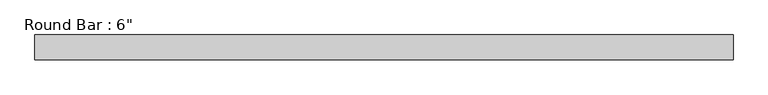
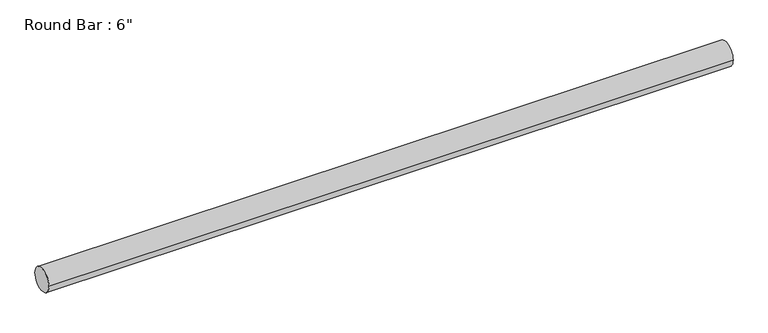
"""IFC4 building model written with IfcOpenShell, lengths in millimetres: beam geometry."""

from ifc_helpers import new_model, si_unit, point, frame, origin, origin_2d, place, context, project, spatial, circle_curve, trimmed, segment, composite_curve, outline, extrude, source, transform, mapped, element, save


def beam_d83805fe(model_context):
    return source(origin(), model_context, "Body", "SweptSolid", [
        extrude(outline(composite_curve([segment(trimmed(circle_curve(origin_2d(), 76.2), [point((-76.2, 0.0))], [point((76.2, 0.0))], False, "CARTESIAN"), True, "CONTINUOUS"), segment(trimmed(circle_curve(origin_2d(), 76.2), [point((76.2, 0.0))], [point((-76.2, 0.0))], False, "CARTESIAN"), True, "CONTINUOUS")], self_intersect=False)), frame((-2168.9702739, 0.0, 0.0), z_axis=(1.0, 0.0, 0.0), x_axis=(0.0, 1.0, 0.0)), (0.0, 0.0, 1.0), 4309.9895329),
    ])


if __name__ == "__main__":
    model = new_model("IFC4")
    model_context = context("Model", 3, world=origin())
    ifc_project = project(units=[si_unit("LENGTHUNIT", "METRE", prefix="MILLI")], contexts=[model_context])
    site = spatial("IfcSite", under=ifc_project)
    building = spatial("IfcBuilding", under=site)
    placement = place(None, origin())
    beam_shape = beam_d83805fe(model_context)
    element("IfcBeam", 1, ObjectType="Round Bar : 6\"", at=placement, inside=building, context=model_context, shape_type="MappedRepresentation", body=[
        mapped(beam_shape, transform((0.0, 0.0, 0.0), x_axis=(1.0, 0.0, 0.0), y_axis=(0.0, 1.0, 0.0), z_axis=(0.0, 0.0, 1.0))),
    ])
    save(model, "model.ifc")
